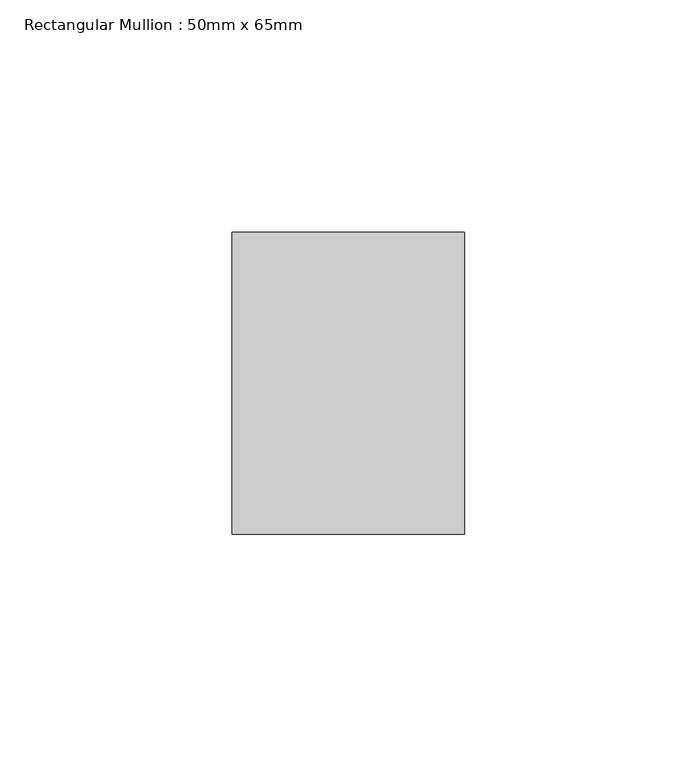
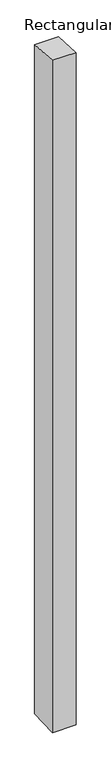
"""IFC4 building model written with IfcOpenShell, lengths in millimetres: member geometry, Rectangular Mullion : 50mm x 65mm."""

from ifc_helpers import new_model, si_unit, origin, place, context, project, spatial, faceted_brep, source, transform, mapped, element, save


def rectangular_mullion_50mm_x_65mm_18fe6a8c(model_context):
    return source(origin(), model_context, "Body", "Brep", [
        faceted_brep([(-25.0, 32.5, -2.1659772), (25.0, 32.5, -2.1659765), (25.0, 32.5, -1498.7588352), (-25.0, 32.5, -1498.7588348), (-25.0, -32.5, 2.1659765), (-25.0, -32.5, -1501.2410169), (25.0, -32.5, 2.1659772), (25.0, -32.5, -1501.2410173)], [[[0, 1, 2, 3]], [[4, 0, 3, 5]], [[6, 4, 5, 7]], [[1, 6, 7, 2]], [[1, 0, 4, 6]], [[2, 7, 5, 3]]]),
    ])


if __name__ == "__main__":
    model = new_model("IFC4")
    model_context = context("Model", 3, world=origin())
    ifc_project = project(units=[si_unit("LENGTHUNIT", "METRE", prefix="MILLI")], contexts=[model_context])
    site = spatial("IfcSite", under=ifc_project)
    building = spatial("IfcBuilding", under=site)
    placement = place(None, origin())
    rectangular_mullion_50mm_x_65mm_shape = rectangular_mullion_50mm_x_65mm_18fe6a8c(model_context)
    element("IfcMember", 1, ObjectType="Rectangular Mullion : 50mm x 65mm", at=placement, inside=building, context=model_context, shape_type="MappedRepresentation", body=[
        mapped(rectangular_mullion_50mm_x_65mm_shape, transform((0.0, 0.0, 0.0), x_axis=(1.0, 0.0, 0.0), y_axis=(0.0, 1.0, 0.0), z_axis=(0.0, 0.0, 1.0))),
    ])
    save(model, "model.ifc")
